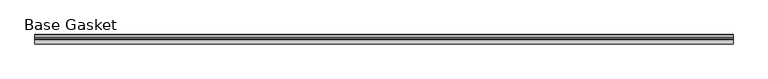
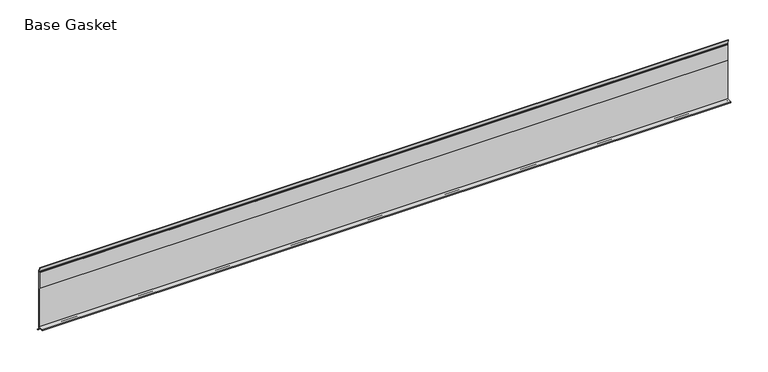
"""IFC4 building model written with IfcOpenShell, lengths in millimetres: furniture geometry, Base Gasket."""

from ifc_helpers import new_model, si_unit, frame, origin, place, context, project, spatial, polyline, outline, extrude, source, transform, mapped, element, save


def base_gasket_58afd4fc(model_context):
    return source(origin(), model_context, "Body", "SweptSolid", [
        extrude(outline(polyline([(3.7283812, 98.4568417), (3.7283812, 4.3498477), (7.4222115, 0.6560174), (7.8482342, 0.0), (6.8281054, 0.3520979), (2.2043812, 4.3498477), (2.1334222, 6.3818476), (-6.2405171, 6.3818476), (-6.2405171, 7.9398773), (2.2043812, 7.9398773), (2.2043812, 71.4693447), (1.4106313, 71.4693447), (1.4106313, 96.8693477), (2.2043812, 96.8693477), (2.2043812, 98.4568417), (0.6755308, 104.4162708), (0.6755308, 105.2002997), (1.1891543, 104.587663), (3.7283812, 98.4568417)])), frame((-1527.8982117, 0.0, 0.0), z_axis=(1.0, 0.0, 0.0), x_axis=(0.0, 1.0, 0.0)), (0.0, 0.0, 1.0), 1066.8),
    ])


if __name__ == "__main__":
    model = new_model("IFC4")
    model_context = context("Model", 3, world=origin())
    ifc_project = project(units=[si_unit("LENGTHUNIT", "METRE", prefix="MILLI")], contexts=[model_context])
    site = spatial("IfcSite", under=ifc_project)
    building = spatial("IfcBuilding", under=site)
    placement = place(None, origin())
    base_gasket_shape = base_gasket_58afd4fc(model_context)
    element("IfcFurniture", 1, ObjectType="Base Gasket", at=placement, inside=building, context=model_context, shape_type="MappedRepresentation", body=[
        mapped(base_gasket_shape, transform((0.0, 0.0, 0.0), x_axis=(1.0, 0.0, 0.0), y_axis=(0.0, 1.0, 0.0), z_axis=(0.0, 0.0, 1.0))),
    ])
    save(model, "model.ifc")
